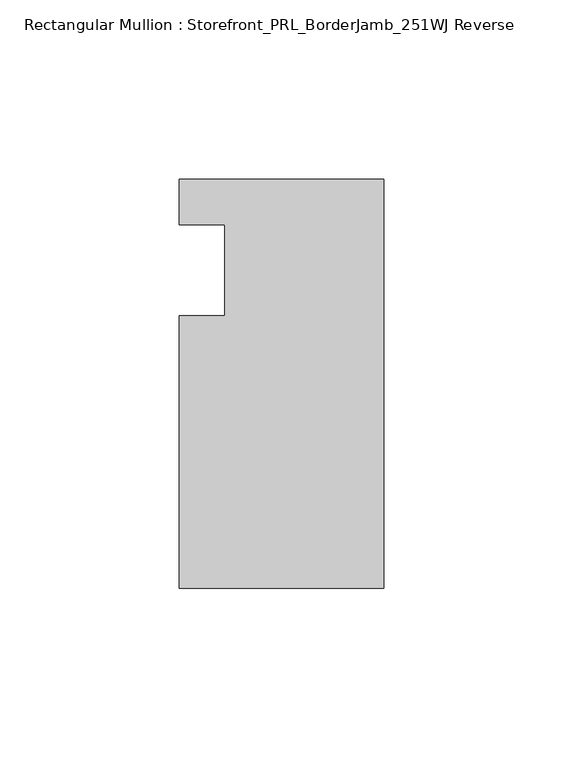
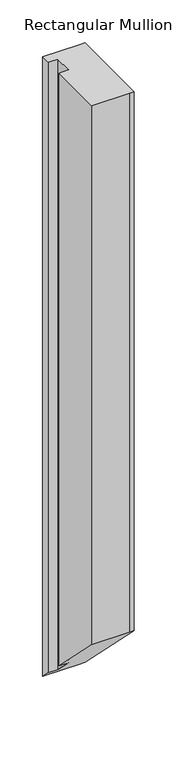
"""IFC4 building model written with IfcOpenShell, lengths in millimetres: member geometry, Rectangular Mullion : Storefront_PRL_BorderJamb_251WJ Reverse."""

import ifcopenshell
import ifcopenshell.guid

model = None  # the IFC model being written
_history = None  # IfcOwnerHistory: only IFC2X3 demands one
_inside = {}  # id of a spatial element -> (the spatial element, [elements in it])
_under = {}  # id of a project, library or spatial element -> (it, [spatial elements below it])
_declared = {}  # id of a project -> (the project, [libraries it declares])
_typed = {}  # id of a type object -> (the type object, [elements of that type])
_made_of = {}  # id of a material, layer set ... -> (it, [elements and type objects made of it])


def new_model(schema):
    """Start an empty IFC model of exactly this schema.

    Asked for "IFC4X3", IfcOpenShell would pick the latest addendum, in which some entities
    have other attributes; the version numbers below select the first issue.
    IFC2X3 requires an IfcOwnerHistory on every rooted entity: one is made here for all.
    """
    global model, _history
    if schema == "IFC4X3":
        model = ifcopenshell.file(schema_version=(4, 3, 0, 0))
    else:
        model = ifcopenshell.file(schema=schema)
    _inside.clear()
    _under.clear()
    _declared.clear()
    _typed.clear()
    _made_of.clear()
    _history = None
    if model.schema == "IFC2X3":
        org = make("IfcOrganization", Name="unknown")
        user = make(
            "IfcPersonAndOrganization",
            ThePerson=make("IfcPerson", FamilyName="unknown"),
            TheOrganization=org,
        )
        app = make(
            "IfcApplication",
            ApplicationDeveloper=org,
            Version="unknown",
            ApplicationFullName="unknown",
            ApplicationIdentifier="unknown",
        )
        _history = make(
            "IfcOwnerHistory",
            OwningUser=user,
            OwningApplication=app,
            ChangeAction="ADDED",
            CreationDate=0,
        )
    return model


def make(cls, **values):
    """One entity of the class cls with the attributes given. An attribute that is None is left unset."""
    return model.create_entity(
        cls, **{name: value for name, value in values.items() if value is not None}
    )


def rooted(cls, **values):
    """An entity with a GlobalId (a new one), such as an element, a storey or a relation."""
    return make(cls, GlobalId=ifcopenshell.guid.new(), OwnerHistory=_history, **values)


def si_unit(unit_type, name, prefix=None):
    """IfcSIUnit, for example si_unit("LENGTHUNIT", "METRE", prefix="MILLI")."""
    return make("IfcSIUnit", UnitType=unit_type, Prefix=prefix, Name=name)


def assignment(units):
    """IfcUnitAssignment: the units of a project."""
    return None if units is None else make("IfcUnitAssignment", Units=units)


def point(xyz):
    """IfcCartesianPoint."""
    return None if xyz is None else make("IfcCartesianPoint", Coordinates=xyz)


def direction(xyz):
    """IfcDirection."""
    return None if xyz is None else make("IfcDirection", DirectionRatios=xyz)


def frame(location, z_axis=None, x_axis=None):
    """IfcAxis2Placement3D, a coordinate frame: its origin and axes. An axis left out is left unset."""
    return make(
        "IfcAxis2Placement3D",
        Location=point(location),
        Axis=direction(z_axis),
        RefDirection=direction(x_axis),
    )


def origin():
    """The frame at (0, 0, 0) with its axes left unset."""
    return frame((0.0, 0.0, 0.0))


def place(relative_to, where):
    """IfcLocalPlacement: puts the frame where relative to a parent placement (None: the world)."""
    return make(
        "IfcLocalPlacement", PlacementRelTo=relative_to, RelativePlacement=where
    )


def context(
    kind, dimensions, precision=None, world=None, true_north=None, identifier=None
):
    """IfcGeometricRepresentationContext, for example the 3D "Model" context."""
    return make(
        "IfcGeometricRepresentationContext",
        ContextIdentifier=identifier,
        ContextType=kind,
        CoordinateSpaceDimension=dimensions,
        Precision=precision,
        WorldCoordinateSystem=world,
        TrueNorth=true_north,
    )


def project(units=None, contexts=None):
    """IfcProject with its units and contexts."""
    return rooted(
        "IfcProject",
        Name="project",
        RepresentationContexts=contexts,
        UnitsInContext=assignment(units),
    )


def spatial(cls, under=None, at=None, **own):
    """A site, building, storey or space (cls), placed at a placement, below another one or the project."""
    s = rooted(cls, ObjectPlacement=at, **own)
    if under is not None:
        _under.setdefault(under.id(), (under, []))[1].append(s)
    return s


def faces_of(points, faces, orient=None, outer=None):
    """IfcFace entities. A face is a list of loops; a loop is a list of indices into points, from 0.

    orient and outer hold one flag for each loop. By default every Orientation is true, the
    first loop of a face is its IfcFaceOuterBound and the others are IfcFaceBound.
    """
    made = []
    for i, loops in enumerate(faces):
        bounds = []
        for j, loop in enumerate(loops):
            is_outer = j == 0 if outer is None else outer[i][j]
            bounds.append(
                make(
                    "IfcFaceOuterBound" if is_outer else "IfcFaceBound",
                    Bound=make("IfcPolyLoop", Polygon=[points[k] for k in loop]),
                    Orientation=True if orient is None else orient[i][j],
                )
            )
        made.append(make("IfcFace", Bounds=bounds))
    return made


def faceted_brep(points, faces, orient=None, outer=None, voids=None):
    """IfcFacetedBrep: a solid bounded by flat faces; with voids (closed shells), ...WithVoids."""
    shared = [point(p) for p in points]
    hull = make("IfcClosedShell", CfsFaces=faces_of(shared, faces, orient, outer))
    if voids is None:
        return make("IfcFacetedBrep", Outer=hull)
    return make(
        "IfcFacetedBrepWithVoids",
        Outer=hull,
        Voids=[
            make(cls, CfsFaces=faces_of(shared, fs, o, b)) for cls, fs, o, b in voids
        ],
    )


def shape(context_of_items, identifier, shape_type, items):
    """IfcShapeRepresentation: the items that make up one representation, for example the "Body"."""
    return make(
        "IfcShapeRepresentation",
        ContextOfItems=context_of_items,
        RepresentationIdentifier=identifier,
        RepresentationType=shape_type,
        Items=items,
    )


def source(mapping_origin, context_of_items, identifier, shape_type, items):
    """IfcRepresentationMap: a shape defined once, which mapped items show again and again."""
    return make(
        "IfcRepresentationMap",
        MappingOrigin=mapping_origin,
        MappedRepresentation=shape(context_of_items, identifier, shape_type, items),
    )


def transform(
    local_origin,
    x_axis=None,
    y_axis=None,
    z_axis=None,
    scale=None,
    scale2=None,
    scale3=None,
    uniform=True,
):
    """IfcCartesianTransformationOperator3D, or its non-uniform kind. x_axis, y_axis, z_axis: its Axis1, 2, 3."""
    if uniform:
        return make(
            "IfcCartesianTransformationOperator3D",
            Axis1=direction(x_axis),
            Axis2=direction(y_axis),
            LocalOrigin=point(local_origin),
            Scale=scale,
            Axis3=direction(z_axis),
        )
    return make(
        "IfcCartesianTransformationOperator3DnonUniform",
        Axis1=direction(x_axis),
        Axis2=direction(y_axis),
        LocalOrigin=point(local_origin),
        Scale=scale,
        Axis3=direction(z_axis),
        Scale2=scale2,
        Scale3=scale3,
    )


def mapped(mapping_source, mapping_target):
    """IfcMappedItem: shows the shape of a source again, moved by a transform."""
    return make(
        "IfcMappedItem", MappingSource=mapping_source, MappingTarget=mapping_target
    )


def made_of(thing, what):
    """Note that an element or type object is made of a material, layer set ...; save() writes the relation."""
    if what is not None:
        _made_of.setdefault(what.id(), (what, []))[1].append(thing)
    return thing


def element(
    cls,
    number,
    at=None,
    inside=None,
    cuts=None,
    type_object=None,
    material=None,
    context=None,
    identifier="Body",
    shape_type=None,
    held_by="IfcProductDefinitionShape",
    body=None,
    shapes=None,
    **own,
):
    """One element of the class cls, such as IfcWall. Its Tag is "e" and its number.

    at: its placement. inside: the storey or other place that contains it. cuts: it is an
    opening in that element (IfcRelVoidsElement). A single representation is given by context,
    identifier, shape_type and body (its items); several are given by shapes. held_by: the class
    of the entity that holds the representations. save() writes the other relations.
    """
    e = rooted(cls, Tag="e%d" % number, ObjectPlacement=at, **own)
    if body is not None:
        shapes = [shape(context, identifier, shape_type, body)]
    if shapes is not None:
        e.Representation = make(held_by, Representations=shapes)
    if inside is not None:
        _inside.setdefault(inside.id(), (inside, []))[1].append(e)
    if cuts is not None:
        rooted(
            "IfcRelVoidsElement", RelatingBuildingElement=cuts, RelatedOpeningElement=e
        )
    if type_object is not None:
        _typed.setdefault(type_object.id(), (type_object, []))[1].append(e)
    return made_of(e, material)


def aggregate(whole, parts):
    """IfcRelAggregates: a whole, such as a stair, and the parts it consists of."""
    return rooted("IfcRelAggregates", RelatingObject=whole, RelatedObjects=parts)


def save(model, path):
    """Write the relations noted so far, then the file.

    IfcRelAggregates (storeys below a building ...), IfcRelContainedInSpatialStructure (elements
    in a storey), IfcRelDefinesByType, IfcRelAssociatesMaterial and IfcRelDeclares: one each for
    every whole, place, type object, material and project.
    """
    for whole, parts in _under.values():
        aggregate(whole, parts)
    for where, things in _inside.values():
        rooted(
            "IfcRelContainedInSpatialStructure",
            RelatedElements=things,
            RelatingStructure=where,
        )
    for kind, things in _typed.values():
        rooted("IfcRelDefinesByType", RelatedObjects=things, RelatingType=kind)
    for what, things in _made_of.values():
        rooted("IfcRelAssociatesMaterial", RelatedObjects=things, RelatingMaterial=what)
    for by, libraries in _declared.values():
        rooted("IfcRelDeclares", RelatingContext=by, RelatedDefinitions=libraries)
    model.write(path)


def rectangular_mullion_storefront_prl_borderjamb_251wj_reverse_55e2ba94(model_context):
    return source(origin(), model_context, "Body", "Brep", [
        faceted_brep([(-44.45, -12.7, 0.0), (-57.15, -12.7, 0.0), (-57.15, -88.9, 0.0), (-6.35, -88.9, 0.0), (0.0, -88.9, 0.0), (0.0, 25.4, 0.0), (-7.3958824, 25.4, 0.0), (-57.15, 25.4, 0.0), (-57.15, 12.7, 0.0), (-44.45, 12.7, 0.0), (-44.45, -12.7, -844.55), (-57.15, -12.7, -844.55), (-57.15, -88.9, -768.35), (-6.35, -88.9, -768.35), (0.0, -88.9, -768.35), (0.0, 25.4, -882.65), (-7.3958824, 25.4, -882.65), (-57.15, 25.4, -882.65), (-57.15, 12.7, -869.95), (-44.45, 12.7, -869.95)], [[[0, 1, 2, 3, 4, 5, 6, 7, 8, 9]], [[1, 0, 10, 11]], [[2, 1, 11, 12]], [[3, 2, 12, 13]], [[4, 3, 13, 14]], [[5, 4, 14, 15]], [[6, 5, 15, 16]], [[7, 6, 16, 17]], [[8, 7, 17, 18]], [[9, 8, 18, 19]], [[0, 9, 19, 10]], [[10, 19, 18, 17, 16, 15, 14, 13, 12, 11]]]),
    ])


if __name__ == "__main__":
    model = new_model("IFC4")
    model_context = context("Model", 3, world=origin())
    ifc_project = project(units=[si_unit("LENGTHUNIT", "METRE", prefix="MILLI")], contexts=[model_context])
    site = spatial("IfcSite", under=ifc_project)
    building = spatial("IfcBuilding", under=site)
    placement = place(None, origin())
    rectangular_mullion_storefront_prl_borderjamb_251wj_reverse_shape = rectangular_mullion_storefront_prl_borderjamb_251wj_reverse_55e2ba94(model_context)
    element("IfcMember", 1, ObjectType="Rectangular Mullion : Storefront_PRL_BorderJamb_251WJ Reverse", at=placement, inside=building, context=model_context, shape_type="MappedRepresentation", body=[
        mapped(rectangular_mullion_storefront_prl_borderjamb_251wj_reverse_shape, transform((0.0, 0.0, 0.0), x_axis=(1.0, 0.0, 0.0), y_axis=(0.0, 1.0, 0.0), z_axis=(0.0, 0.0, 1.0))),
    ])
    save(model, "model.ifc")
